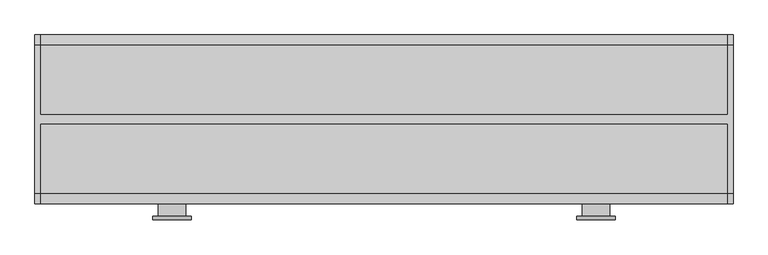
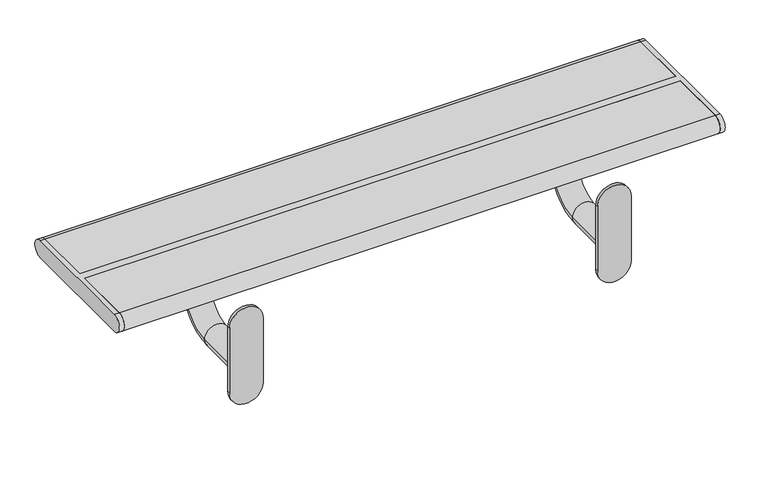
"""IFC4 building model written with IfcOpenShell, lengths in millimetres: furniture geometry."""

from ifc_helpers import new_model, si_unit, point, frame, frame_2d, origin, place, context, project, spatial, polyline, circle_curve, ellipse_curve, trimmed, segment, composite_curve, outline, extrude, source, transform, mapped, element, save
from ifc_brep_helpers import plane_surface, cylinder_surface, revolved_surface, advanced_brep


def furniture_ee3df3eb(model_context):
    return source(origin(), model_context, "Body", "SolidModel", [
        advanced_brep(
        [(882.0, 232.5, 405.0), (882.0, 553.5, 405.0), (882.0, 553.5, 450.0), (882.0, 232.5, 450.0), (870.0, 232.5, 405.0), (870.0, 232.5, 450.0), (870.0, 383.0, 450.0), (870.0, 383.0, 405.0), (870.0, 553.5, 450.0), (870.0, 553.5, 405.0), (870.0, 403.0, 405.0), (870.0, 403.0, 450.0), (-620.0, 403.0, 450.0), (-620.0, 553.5, 450.0), (-632.0, 553.5, 450.0), (-632.0, 232.5, 450.0), (-620.0, 232.5, 450.0), (-620.0, 383.0, 450.0), (-620.0, 383.0, 405.0), (-620.0, 232.5, 405.0), (-632.0, 232.5, 405.0), (-632.0, 553.5, 405.0), (-620.0, 553.5, 405.0), (-620.0, 403.0, 405.0)],
        [
            (0, 1),
            (1, 2, circle_curve(frame((882.0, 553.5, 427.5), z_axis=(1.0, 0.0, 0.0), x_axis=(0.0, 1.0, 0.0)), 22.5)),
            (2, 3),
            (3, 0, circle_curve(frame((882.0, 232.5, 427.5), z_axis=(1.0, 0.0, 0.0), x_axis=(0.0, -1.0, 0.0)), 22.5)),
            (4, 5, circle_curve(frame((870.0, 232.5, 427.5), z_axis=(-1.0, 0.0, 0.0), x_axis=(0.0, -1.0, 0.0)), 22.5)),
            (5, 6),
            (6, 7),
            (7, 4),
            (8, 9, circle_curve(frame((870.0, 553.5, 427.5), z_axis=(-1.0, 0.0, 0.0), x_axis=(0.0, 1.0, 0.0)), 22.5)),
            (9, 10),
            (10, 11),
            (11, 8),
            (2, 8),
            (11, 12),
            (12, 13),
            (13, 14),
            (14, 15),
            (15, 16),
            (16, 17),
            (17, 6),
            (5, 3),
            (0, 4),
            (7, 18),
            (18, 19),
            (19, 20),
            (20, 21),
            (21, 22),
            (22, 23),
            (23, 10),
            (9, 1),
            (17, 18),
            (23, 12),
            (22, 13, circle_curve(frame((-620.0, 553.5, 427.5), z_axis=(1.0, 0.0, 0.0), x_axis=(0.0, -1.0, 0.0)), 22.5)),
            (16, 19, circle_curve(frame((-620.0, 232.5, 427.5), z_axis=(1.0, 0.0, 0.0), x_axis=(0.0, -1.0, 0.0)), 22.5)),
            (20, 15, circle_curve(frame((-632.0, 232.5, 427.5), z_axis=(-1.0, 0.0, 0.0), x_axis=(0.0, -1.0, 0.0)), 22.5)),
            (14, 21, circle_curve(frame((-632.0, 553.5, 427.5), z_axis=(-1.0, 0.0, 0.0), x_axis=(0.0, -1.0, 0.0)), 22.5)),
        ],
        [
            plane_surface(frame((882.0, 553.5, 405.0), z_axis=(1.0, 0.0, 0.0), x_axis=(0.0, 1.0, 0.0))),
            plane_surface(frame((870.0, 553.5, 405.0), z_axis=(-1.0, 0.0, 0.0), x_axis=(0.0, -1.0, 0.0))),
            plane_surface(frame((882.0, 553.5, 450.0), z_axis=(0.0, 0.0, 1.0), x_axis=(-1.0, 0.0, 0.0))),
            plane_surface(frame((882.0, 232.5, 405.0), z_axis=(0.0, 0.0, -1.0), x_axis=(-1.0, 0.0, 0.0))),
            cylinder_surface(frame((870.0, 232.5, 427.5), z_axis=(1.0, 0.0, 0.0), x_axis=(0.0, -1.0, 0.0)), 22.5),
            cylinder_surface(frame((870.0, 553.5, 427.5), z_axis=(1.0, 0.0, 0.0), x_axis=(0.0, 1.0, 0.0)), 22.5),
            plane_surface(frame((870.0, 383.0, 450.0), z_axis=(0.0, -1.0, 0.0), x_axis=(-1.0, 0.0, 0.0))),
            plane_surface(frame((870.0, 403.0, 405.0), z_axis=(0.0, 1.0, 0.0), x_axis=(-1.0, 0.0, 0.0))),
            plane_surface(frame((-620.0, 553.5, 405.0), z_axis=(1.0, 0.0, 0.0), x_axis=(0.0, 1.0, 0.0))),
            plane_surface(frame((-632.0, 553.5, 405.0), z_axis=(-1.0, 0.0, 0.0), x_axis=(0.0, -1.0, 0.0))),
            cylinder_surface(frame((-632.0, 232.5, 427.5), z_axis=(1.0, 0.0, 0.0), x_axis=(0.0, -1.0, 0.0)), 22.5),
            cylinder_surface(frame((-632.0, 553.5, 427.5), z_axis=(1.0, 0.0, 0.0), x_axis=(0.0, -1.0, 0.0)), 22.5),
        ],
        [
            (0, [[1, 2, 3, 4]]),
            (1, [[5, 6, 7, 8]]),
            (1, [[9, 10, 11, 12]]),
            (2, [[-3, 13, -12, 14, 15, 16, 17, 18, 19, 20, -6, 21]]),
            (3, [[-1, 22, -8, 23, 24, 25, 26, 27, 28, 29, -10, 30]]),
            (4, [[-4, -21, -5, -22]]),
            (5, [[-2, -30, -9, -13]]),
            (6, [[-20, 31, -23, -7]]),
            (7, [[-14, -11, -29, 32]]),
            (8, [[33, -15, -32, -28]]),
            (8, [[34, -24, -31, -19]]),
            (9, [[35, -17, 36, -26]]),
            (10, [[-34, -18, -35, -25]]),
            (11, [[-33, -27, -36, -16]]),
        ],
    ),
        extrude(outline(composite_curve([segment(polyline([(403.0, 405.0), (403.0, 450.0), (553.5, 450.0)]), True, "CONTINUOUS"), segment(trimmed(circle_curve(frame_2d((553.5, 427.5)), 22.5), [point((553.5, 450.0))], [point((553.5, 405.0))], False, "CARTESIAN"), True, "CONTINUOUS"), segment(polyline([(553.5, 405.0), (403.0, 405.0)]), True, "CONTINUOUS")], self_intersect=False)), frame((-620.0, 0.0, 0.0), z_axis=(1.0, 0.0, 0.0), x_axis=(0.0, 1.0, 0.0)), (0.0, 0.0, 1.0), 1490.0),
        extrude(outline(composite_curve([segment(polyline([(383.0, 405.0), (232.5, 405.0)]), True, "CONTINUOUS"), segment(trimmed(circle_curve(frame_2d((232.5, 427.5)), 22.5), [point((232.5, 405.0))], [point((232.5, 450.0))], False, "CARTESIAN"), True, "CONTINUOUS"), segment(polyline([(232.5, 450.0), (383.0, 450.0), (383.0, 405.0)]), True, "CONTINUOUS")], self_intersect=False)), frame((-620.0, 0.0, 0.0), z_axis=(1.0, 0.0, 0.0), x_axis=(0.0, 1.0, 0.0)), (0.0, 0.0, 1.0), 1490.0),
        extrude(outline(composite_curve([segment(trimmed(circle_curve(frame_2d((357.0801223, 585.0)), 41.9108501), [point((357.0801223, 626.9108501))], [point((357.0801223, 543.0891499))], False, "CARTESIAN"), True, "CONTINUOUS"), segment(polyline([(357.0801223, 543.0891499), (187.0801223, 543.0891499)]), True, "CONTINUOUS"), segment(trimmed(circle_curve(frame_2d((187.0801223, 585.0)), 41.9108501), [point((187.0801223, 543.0891499))], [point((187.0801223, 626.9108501))], False, "CARTESIAN"), True, "CONTINUOUS"), segment(polyline([(187.0801223, 626.9108501), (357.0801223, 626.9108501)]), True, "CONTINUOUS")], self_intersect=False)), frame((0.0, 175.0, 0.0), z_axis=(0.0, 1.0, 0.0), x_axis=(0.0, 0.0, 1.0)), (0.0, 0.0, 1.0), 8.0),
        advanced_brep(
        [(510.0, 518.0, 405.0), (510.0, 518.0, 389.0), (510.0, 268.0, 389.0), (510.0, 268.0, 405.0), (660.0, 518.0, 405.0), (660.0, 268.0, 405.0), (660.0, 268.0, 389.0), (660.0, 518.0, 389.0), (615.0, 393.0, 389.0), (555.0, 393.0, 389.0), (555.0, 183.0, 246.9999952), (615.0, 183.0, 246.9999952), (555.0, 302.9999981, 246.9999952), (615.0, 302.9999981, 246.9999952), (555.0, 393.0, 336.9999971), (615.0, 393.0, 336.9999971)],
        [
            (0, 1),
            (1, 2),
            (2, 3),
            (3, 0),
            (4, 5),
            (5, 6),
            (6, 7),
            (7, 4),
            (0, 4),
            (7, 1),
            (6, 2),
            (8, 9, circle_curve(frame((585.0, 393.0, 389.0), z_axis=(0.0, 0.0, 1.0), x_axis=(1.0, 0.0, 0.0)), 30.0)),
            (9, 8, circle_curve(frame((585.0, 393.0, 389.0), z_axis=(0.0, 0.0, 1.0), x_axis=(1.0, 0.0, 0.0)), 30.0)),
            (5, 3),
            (10, 11, circle_curve(frame((585.0, 183.0, 246.9999952), z_axis=(0.0, -1.0, 0.0), x_axis=(1.0, 0.0, 0.0)), 30.0)),
            (11, 10, circle_curve(frame((585.0, 183.0, 246.9999952), z_axis=(0.0, -1.0, 0.0), x_axis=(1.0, 0.0, 0.0)), 30.0)),
            (10, 12),
            (12, 13, circle_curve(frame((585.0, 302.9999981, 246.9999952), z_axis=(0.0, -1.0, 0.0), x_axis=(1.0, 0.0, 0.0)), 30.0)),
            (13, 11),
            (13, 12, circle_curve(frame((585.0, 302.9999981, 246.9999952), z_axis=(0.0, -1.0, 0.0), x_axis=(1.0, 0.0, 0.0)), 30.0)),
            (12, 14, circle_curve(frame((555.0, 302.9999981, 336.9999971), z_axis=(1.0, 0.0, 0.0), x_axis=(0.0, 0.0, -1.0)), 90.0000019)),
            (14, 15, circle_curve(frame((585.0, 393.0, 336.9999971), z_axis=(0.0, 0.0, -1.0), x_axis=(1.0, 0.0, 0.0)), 30.0)),
            (15, 13, circle_curve(frame((615.0, 302.9999981, 336.9999971), z_axis=(-1.0, 0.0, 0.0), x_axis=(0.0, 0.0, -1.0)), 90.0000019)),
            (15, 14, circle_curve(frame((585.0, 393.0, 336.9999971), z_axis=(0.0, 0.0, -1.0), x_axis=(1.0, 0.0, 0.0)), 30.0)),
            (14, 9),
            (8, 15),
        ],
        [
            plane_surface(frame((510.0, 518.0, 405.0), z_axis=(-1.0, 0.0, 0.0), x_axis=(0.0, 0.0, -1.0))),
            plane_surface(frame((660.0, 518.0, 405.0), z_axis=(1.0, 0.0, 0.0), x_axis=(0.0, 0.0, 1.0))),
            plane_surface(frame((510.0, 518.0, 405.0), z_axis=(0.0, 1.0, 0.0), x_axis=(1.0, 0.0, 0.0))),
            plane_surface(frame((510.0, 518.0, 389.0), z_axis=(0.0, 0.0, -1.0), x_axis=(1.0, 0.0, 0.0))),
            plane_surface(frame((510.0, 268.0, 389.0), z_axis=(0.0, -1.0, 0.0), x_axis=(1.0, 0.0, 0.0))),
            plane_surface(frame((510.0, 268.0, 405.0), z_axis=(0.0, 0.0, 1.0), x_axis=(1.0, 0.0, 0.0))),
            plane_surface(frame((585.0, 183.0, 246.9999952), z_axis=(0.0, -1.0, 0.0), x_axis=(-1.0, 0.0, 0.0))),
            cylinder_surface(frame((585.0, 183.0, 246.9999952), z_axis=(0.0, -1.0, 0.0), x_axis=(1.0, 0.0, 0.0)), 30.0),
            revolved_surface(trimmed(ellipse_curve(frame((585.0, 302.9999981, 246.9999952), z_axis=(0.0, -1.0, 0.0), x_axis=(1.0, 0.0, 0.0)), 30.0, 30.0), [point((555.0, 302.9999981, 246.9999952))], [point((615.0, 302.9999981, 246.9999952))], True, "CARTESIAN"), (585.0, 302.9999981, 336.9999971), (1.0, 0.0, 0.0)),
            revolved_surface(trimmed(ellipse_curve(frame((585.0, 302.9999981, 246.9999952), z_axis=(0.0, -1.0, 0.0), x_axis=(1.0, 0.0, 0.0)), 30.0, 30.0), [point((615.0, 302.9999981, 246.9999952))], [point((555.0, 302.9999981, 246.9999952))], True, "CARTESIAN"), (585.0, 302.9999981, 336.9999971), (1.0, 0.0, 0.0)),
            cylinder_surface(frame((585.0, 393.0, 336.9999971), z_axis=(0.0, 0.0, -1.0), x_axis=(1.0, 0.0, 0.0)), 30.0),
        ],
        [
            (0, [[1, 2, 3, 4]]),
            (1, [[5, 6, 7, 8]]),
            (2, [[-1, 9, -8, 10]]),
            (3, [[-2, -10, -7, 11], [12, 13]]),
            (4, [[-3, -11, -6, 14]]),
            (5, [[-4, -14, -5, -9]]),
            (6, [[15, 16]]),
            (7, [[-15, 17, 18, 19]]),
            (7, [[-16, -19, 20, -17]]),
            (8, [[-18, 21, 22, 23]]),
            (9, [[-20, -23, 24, -21]]),
            (10, [[-22, 25, -12, 26]]),
            (10, [[-24, -26, -13, -25]]),
        ],
    ),
        extrude(outline(composite_curve([segment(trimmed(circle_curve(frame_2d((357.0801223, -335.0)), 41.9108501), [point((357.0801223, -293.0891499))], [point((357.0801223, -376.9108501))], False, "CARTESIAN"), True, "CONTINUOUS"), segment(polyline([(357.0801223, -376.9108501), (187.0801223, -376.9108501)]), True, "CONTINUOUS"), segment(trimmed(circle_curve(frame_2d((187.0801223, -335.0)), 41.9108501), [point((187.0801223, -376.9108501))], [point((187.0801223, -293.0891499))], False, "CARTESIAN"), True, "CONTINUOUS"), segment(polyline([(187.0801223, -293.0891499), (357.0801223, -293.0891499)]), True, "CONTINUOUS")], self_intersect=False)), frame((0.0, 175.0, 0.0), z_axis=(0.0, 1.0, 0.0), x_axis=(0.0, 0.0, 1.0)), (0.0, 0.0, 1.0), 8.0),
        advanced_brep(
        [(-410.0, 518.0, 405.0), (-410.0, 518.0, 389.0), (-410.0, 268.0, 389.0), (-410.0, 268.0, 405.0), (-260.0, 518.0, 405.0), (-260.0, 268.0, 405.0), (-260.0, 268.0, 389.0), (-260.0, 518.0, 389.0), (-305.0, 393.0, 389.0), (-365.0, 393.0, 389.0), (-365.0, 183.0, 246.9999952), (-305.0, 183.0, 246.9999952), (-365.0, 302.9999981, 246.9999952), (-305.0, 302.9999981, 246.9999952), (-365.0, 393.0, 336.9999971), (-305.0, 393.0, 336.9999971)],
        [
            (0, 1),
            (1, 2),
            (2, 3),
            (3, 0),
            (4, 5),
            (5, 6),
            (6, 7),
            (7, 4),
            (0, 4),
            (7, 1),
            (6, 2),
            (8, 9, circle_curve(frame((-335.0, 393.0, 389.0), z_axis=(0.0, 0.0, 1.0), x_axis=(1.0, 0.0, 0.0)), 30.0)),
            (9, 8, circle_curve(frame((-335.0, 393.0, 389.0), z_axis=(0.0, 0.0, 1.0), x_axis=(1.0, 0.0, 0.0)), 30.0)),
            (5, 3),
            (10, 11, circle_curve(frame((-335.0, 183.0, 246.9999952), z_axis=(0.0, -1.0, 0.0), x_axis=(1.0, 0.0, 0.0)), 30.0)),
            (11, 10, circle_curve(frame((-335.0, 183.0, 246.9999952), z_axis=(0.0, -1.0, 0.0), x_axis=(1.0, 0.0, 0.0)), 30.0)),
            (10, 12),
            (12, 13, circle_curve(frame((-335.0, 302.9999981, 246.9999952), z_axis=(0.0, -1.0, 0.0), x_axis=(1.0, 0.0, 0.0)), 30.0)),
            (13, 11),
            (13, 12, circle_curve(frame((-335.0, 302.9999981, 246.9999952), z_axis=(0.0, -1.0, 0.0), x_axis=(1.0, 0.0, 0.0)), 30.0)),
            (12, 14, circle_curve(frame((-365.0, 302.9999981, 336.9999971), z_axis=(1.0, 0.0, 0.0), x_axis=(0.0, 0.0, -1.0)), 90.0000019)),
            (14, 15, circle_curve(frame((-335.0, 393.0, 336.9999971), z_axis=(0.0, 0.0, -1.0), x_axis=(1.0, 0.0, 0.0)), 30.0)),
            (15, 13, circle_curve(frame((-305.0, 302.9999981, 336.9999971), z_axis=(-1.0, 0.0, 0.0), x_axis=(0.0, 0.0, -1.0)), 90.0000019)),
            (15, 14, circle_curve(frame((-335.0, 393.0, 336.9999971), z_axis=(0.0, 0.0, -1.0), x_axis=(1.0, 0.0, 0.0)), 30.0)),
            (14, 9),
            (8, 15),
        ],
        [
            plane_surface(frame((-410.0, 518.0, 405.0), z_axis=(-1.0, 0.0, 0.0), x_axis=(0.0, 0.0, -1.0))),
            plane_surface(frame((-260.0, 518.0, 405.0), z_axis=(1.0, 0.0, 0.0), x_axis=(0.0, 0.0, 1.0))),
            plane_surface(frame((-410.0, 518.0, 405.0), z_axis=(0.0, 1.0, 0.0), x_axis=(1.0, 0.0, 0.0))),
            plane_surface(frame((-410.0, 518.0, 389.0), z_axis=(0.0, 0.0, -1.0), x_axis=(1.0, 0.0, 0.0))),
            plane_surface(frame((-410.0, 268.0, 389.0), z_axis=(0.0, -1.0, 0.0), x_axis=(1.0, 0.0, 0.0))),
            plane_surface(frame((-410.0, 268.0, 405.0), z_axis=(0.0, 0.0, 1.0), x_axis=(1.0, 0.0, 0.0))),
            plane_surface(frame((-335.0, 183.0, 246.9999952), z_axis=(0.0, -1.0, 0.0), x_axis=(-1.0, 0.0, 0.0))),
            cylinder_surface(frame((-335.0, 183.0, 246.9999952), z_axis=(0.0, -1.0, 0.0), x_axis=(1.0, 0.0, 0.0)), 30.0),
            revolved_surface(trimmed(ellipse_curve(frame((-335.0, 302.9999981, 246.9999952), z_axis=(0.0, -1.0, 0.0), x_axis=(1.0, 0.0, 0.0)), 30.0, 30.0), [point((-365.0, 302.9999981, 246.9999952))], [point((-305.0, 302.9999981, 246.9999952))], True, "CARTESIAN"), (-335.0, 302.9999981, 336.9999971), (1.0, 0.0, 0.0)),
            revolved_surface(trimmed(ellipse_curve(frame((-335.0, 302.9999981, 246.9999952), z_axis=(0.0, -1.0, 0.0), x_axis=(1.0, 0.0, 0.0)), 30.0, 30.0), [point((-305.0, 302.9999981, 246.9999952))], [point((-365.0, 302.9999981, 246.9999952))], True, "CARTESIAN"), (-335.0, 302.9999981, 336.9999971), (1.0, 0.0, 0.0)),
            cylinder_surface(frame((-335.0, 393.0, 336.9999971), z_axis=(0.0, 0.0, -1.0), x_axis=(1.0, 0.0, 0.0)), 30.0),
        ],
        [
            (0, [[1, 2, 3, 4]]),
            (1, [[5, 6, 7, 8]]),
            (2, [[-1, 9, -8, 10]]),
            (3, [[-2, -10, -7, 11], [12, 13]]),
            (4, [[-3, -11, -6, 14]]),
            (5, [[-4, -14, -5, -9]]),
            (6, [[15, 16]]),
            (7, [[-15, 17, 18, 19]]),
            (7, [[-16, -19, 20, -17]]),
            (8, [[-18, 21, 22, 23]]),
            (9, [[-20, -23, 24, -21]]),
            (10, [[-22, 25, -12, 26]]),
            (10, [[-24, -26, -13, -25]]),
        ],
    ),
    ])


if __name__ == "__main__":
    model = new_model("IFC4")
    model_context = context("Model", 3, world=origin())
    ifc_project = project(units=[si_unit("LENGTHUNIT", "METRE", prefix="MILLI")], contexts=[model_context])
    site = spatial("IfcSite", under=ifc_project)
    building = spatial("IfcBuilding", under=site)
    placement = place(None, origin())
    furniture_shape = furniture_ee3df3eb(model_context)
    element("IfcFurniture", 1, at=placement, inside=building, context=model_context, shape_type="MappedRepresentation", body=[
        mapped(furniture_shape, transform((0.0, 0.0, 0.0), x_axis=(1.0, 0.0, 0.0), y_axis=(0.0, 1.0, 0.0), z_axis=(0.0, 0.0, 1.0))),
    ])
    save(model, "model.ifc")
